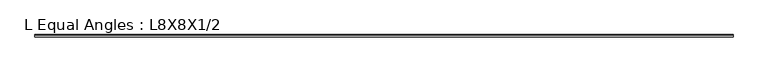
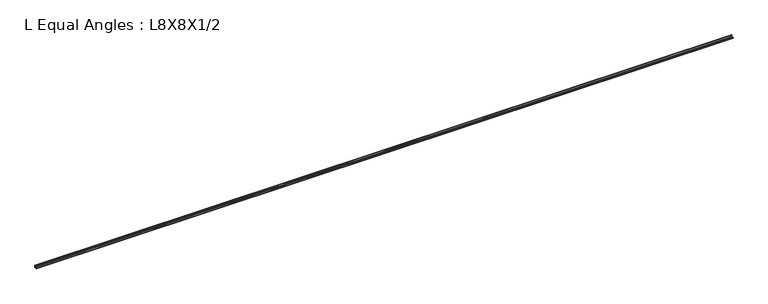
"""IFC4 building model written with IfcOpenShell, lengths in millimetres: beam geometry, L Equal Angles : L8X8X1/2."""

from ifc_helpers import new_model, si_unit, point, frame, frame_2d, origin, place, context, project, spatial, polyline, circle_curve, trimmed, segment, composite_curve, outline, extrude, source, transform, mapped, element, save


def l_equal_angles_l8x8x1_2_076c63ae(model_context):
    return source(origin(), model_context, "Body", "SweptSolid", [
        extrude(outline(composite_curve([segment(polyline([(55.118, -55.118), (-21.082, -55.118), (-21.082, -48.768)]), True, "CONTINUOUS"), segment(trimmed(circle_curve(frame_2d((-14.732, -48.768)), 6.35), [point((-21.082, -48.768))], [point((-14.732, -42.418))], False, "CARTESIAN"), True, "CONTINUOUS"), segment(polyline([(-14.732, -42.418), (29.718, -42.418)]), True, "CONTINUOUS"), segment(trimmed(circle_curve(frame_2d((29.718, -29.718)), 12.7), [point((29.718, -42.418))], [point((42.418, -29.718))], True, "CARTESIAN"), True, "CONTINUOUS"), segment(polyline([(42.418, -29.718), (42.418, 14.732)]), True, "CONTINUOUS"), segment(trimmed(circle_curve(frame_2d((48.768, 14.732)), 6.35), [point((42.418, 14.732))], [point((48.768, 21.082))], False, "CARTESIAN"), True, "CONTINUOUS"), segment(polyline([(48.768, 21.082), (55.118, 21.082), (55.118, -55.118)]), True, "CONTINUOUS")], self_intersect=False)), frame((-11582.4, 0.0, 0.0), z_axis=(1.0, 0.0, 0.0), x_axis=(0.0, 1.0, 0.0)), (0.0, 0.0, 1.0), 23164.8),
    ])


if __name__ == "__main__":
    model = new_model("IFC4")
    model_context = context("Model", 3, world=origin())
    ifc_project = project(units=[si_unit("LENGTHUNIT", "METRE", prefix="MILLI")], contexts=[model_context])
    site = spatial("IfcSite", under=ifc_project)
    building = spatial("IfcBuilding", under=site)
    placement = place(None, origin())
    l_equal_angles_l8x8x1_2_shape = l_equal_angles_l8x8x1_2_076c63ae(model_context)
    element("IfcBeam", 1, ObjectType="L Equal Angles : L8X8X1/2", at=placement, inside=building, context=model_context, shape_type="MappedRepresentation", body=[
        mapped(l_equal_angles_l8x8x1_2_shape, transform((0.0, 0.0, 0.0), x_axis=(1.0, 0.0, 0.0), y_axis=(0.0, 1.0, 0.0), z_axis=(0.0, 0.0, 1.0))),
    ])
    save(model, "model.ifc")
